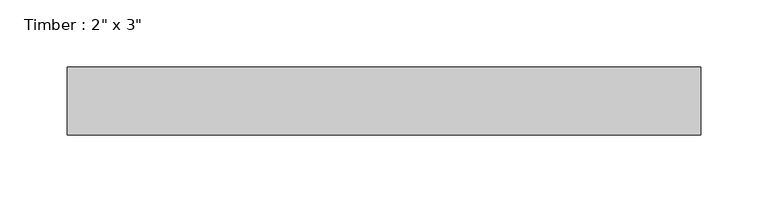
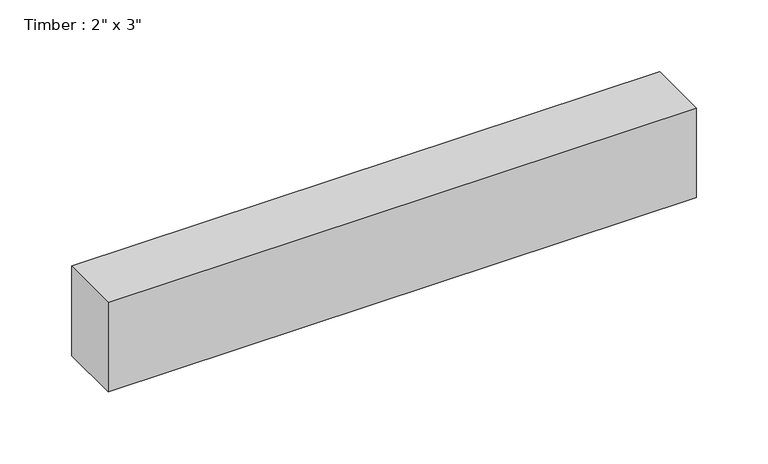
"""IFC4 building model written with IfcOpenShell, lengths in millimetres: beam geometry."""

from ifc_helpers import new_model, si_unit, frame, origin, place, context, project, spatial, polyline, outline, extrude, source, transform, mapped, element, save


def beam_e4fa050c(model_context):
    return source(origin(), model_context, "Body", "SweptSolid", [
        extrude(outline(polyline([(236.3410329, 25.4), (236.3410329, -25.4), (-236.3410329, -25.4), (-236.3410329, 25.4), (236.3410329, 25.4)])), frame((0.0, 0.0, -38.1), z_axis=(0.0, 0.0, 1.0), x_axis=(1.0, 0.0, 0.0)), (0.0, 0.0, 1.0), 76.2),
    ])


if __name__ == "__main__":
    model = new_model("IFC4")
    model_context = context("Model", 3, world=origin())
    ifc_project = project(units=[si_unit("LENGTHUNIT", "METRE", prefix="MILLI")], contexts=[model_context])
    site = spatial("IfcSite", under=ifc_project)
    building = spatial("IfcBuilding", under=site)
    placement = place(None, origin())
    beam_shape = beam_e4fa050c(model_context)
    element("IfcBeam", 1, ObjectType="Timber : 2\" x 3\"", at=placement, inside=building, context=model_context, shape_type="MappedRepresentation", body=[
        mapped(beam_shape, transform((0.0, 0.0, 0.0), x_axis=(1.0, 0.0, 0.0), y_axis=(0.0, 1.0, 0.0), z_axis=(0.0, 0.0, 1.0))),
    ])
    save(model, "model.ifc")
